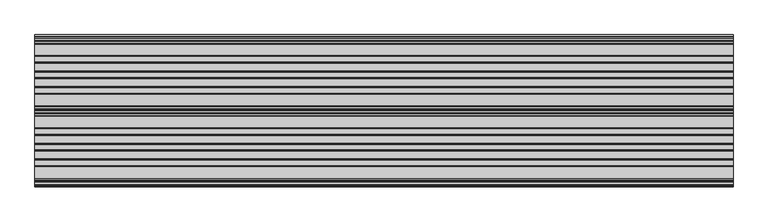
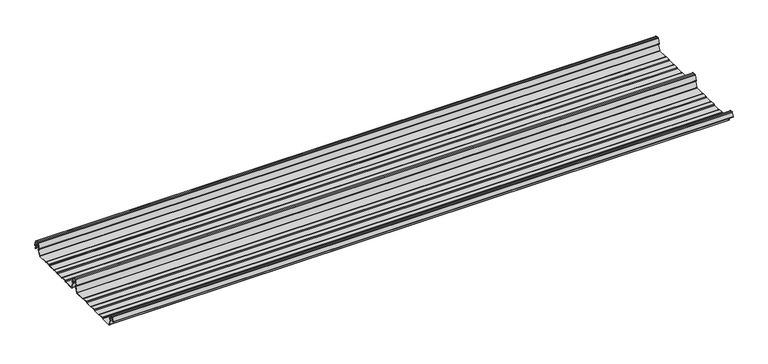
"""IFC4 building model written with IfcOpenShell, lengths in millimetres: beam geometry."""

import ifcopenshell
import ifcopenshell.guid

model = None  # the IFC model being written
_history = None  # IfcOwnerHistory: only IFC2X3 demands one
_inside = {}  # id of a spatial element -> (the spatial element, [elements in it])
_under = {}  # id of a project, library or spatial element -> (it, [spatial elements below it])
_declared = {}  # id of a project -> (the project, [libraries it declares])
_typed = {}  # id of a type object -> (the type object, [elements of that type])
_made_of = {}  # id of a material, layer set ... -> (it, [elements and type objects made of it])


def new_model(schema):
    """Start an empty IFC model of exactly this schema.

    Asked for "IFC4X3", IfcOpenShell would pick the latest addendum, in which some entities
    have other attributes; the version numbers below select the first issue.
    IFC2X3 requires an IfcOwnerHistory on every rooted entity: one is made here for all.
    """
    global model, _history
    if schema == "IFC4X3":
        model = ifcopenshell.file(schema_version=(4, 3, 0, 0))
    else:
        model = ifcopenshell.file(schema=schema)
    _inside.clear()
    _under.clear()
    _declared.clear()
    _typed.clear()
    _made_of.clear()
    _history = None
    if model.schema == "IFC2X3":
        org = make("IfcOrganization", Name="unknown")
        user = make(
            "IfcPersonAndOrganization",
            ThePerson=make("IfcPerson", FamilyName="unknown"),
            TheOrganization=org,
        )
        app = make(
            "IfcApplication",
            ApplicationDeveloper=org,
            Version="unknown",
            ApplicationFullName="unknown",
            ApplicationIdentifier="unknown",
        )
        _history = make(
            "IfcOwnerHistory",
            OwningUser=user,
            OwningApplication=app,
            ChangeAction="ADDED",
            CreationDate=0,
        )
    return model


def make(cls, **values):
    """One entity of the class cls with the attributes given. An attribute that is None is left unset."""
    return model.create_entity(
        cls, **{name: value for name, value in values.items() if value is not None}
    )


def rooted(cls, **values):
    """An entity with a GlobalId (a new one), such as an element, a storey or a relation."""
    return make(cls, GlobalId=ifcopenshell.guid.new(), OwnerHistory=_history, **values)


def si_unit(unit_type, name, prefix=None):
    """IfcSIUnit, for example si_unit("LENGTHUNIT", "METRE", prefix="MILLI")."""
    return make("IfcSIUnit", UnitType=unit_type, Prefix=prefix, Name=name)


def assignment(units):
    """IfcUnitAssignment: the units of a project."""
    return None if units is None else make("IfcUnitAssignment", Units=units)


def point(xyz):
    """IfcCartesianPoint."""
    return None if xyz is None else make("IfcCartesianPoint", Coordinates=xyz)


def direction(xyz):
    """IfcDirection."""
    return None if xyz is None else make("IfcDirection", DirectionRatios=xyz)


def frame(location, z_axis=None, x_axis=None):
    """IfcAxis2Placement3D, a coordinate frame: its origin and axes. An axis left out is left unset."""
    return make(
        "IfcAxis2Placement3D",
        Location=point(location),
        Axis=direction(z_axis),
        RefDirection=direction(x_axis),
    )


def frame_2d(location, x_axis=None):
    """IfcAxis2Placement2D, a coordinate frame in the plane: its origin and x axis."""
    return make(
        "IfcAxis2Placement2D", Location=point(location), RefDirection=direction(x_axis)
    )


def origin():
    """The frame at (0, 0, 0) with its axes left unset."""
    return frame((0.0, 0.0, 0.0))


def place(relative_to, where):
    """IfcLocalPlacement: puts the frame where relative to a parent placement (None: the world)."""
    return make(
        "IfcLocalPlacement", PlacementRelTo=relative_to, RelativePlacement=where
    )


def context(
    kind, dimensions, precision=None, world=None, true_north=None, identifier=None
):
    """IfcGeometricRepresentationContext, for example the 3D "Model" context."""
    return make(
        "IfcGeometricRepresentationContext",
        ContextIdentifier=identifier,
        ContextType=kind,
        CoordinateSpaceDimension=dimensions,
        Precision=precision,
        WorldCoordinateSystem=world,
        TrueNorth=true_north,
    )


def project(units=None, contexts=None):
    """IfcProject with its units and contexts."""
    return rooted(
        "IfcProject",
        Name="project",
        RepresentationContexts=contexts,
        UnitsInContext=assignment(units),
    )


def spatial(cls, under=None, at=None, **own):
    """A site, building, storey or space (cls), placed at a placement, below another one or the project."""
    s = rooted(cls, ObjectPlacement=at, **own)
    if under is not None:
        _under.setdefault(under.id(), (under, []))[1].append(s)
    return s


def polyline(points):
    """IfcPolyline through the points."""
    return make("IfcPolyline", Points=[point(p) for p in points])


def circle_curve(where, radius):
    """IfcCircle in the frame where."""
    return make("IfcCircle", Position=where, Radius=radius)


def trimmed(basis, trim1, trim2, sense, master):
    """IfcTrimmedCurve: the piece of a basis curve between two trims."""
    return make(
        "IfcTrimmedCurve",
        BasisCurve=basis,
        Trim1=trim1,
        Trim2=trim2,
        SenseAgreement=sense,
        MasterRepresentation=master,
    )


def segment(curve, same_sense, transition):
    """IfcCompositeCurveSegment."""
    return make(
        "IfcCompositeCurveSegment",
        Transition=transition,
        SameSense=same_sense,
        ParentCurve=curve,
    )


def composite_curve(segments, self_intersect=None):
    """IfcCompositeCurve: segments joined end to end."""
    return make("IfcCompositeCurve", Segments=segments, SelfIntersect=self_intersect)


def outline(outer, holes=None, kind="AREA"):
    """IfcArbitraryClosedProfileDef: a profile drawn as a closed curve; with holes, ...WithVoids."""
    if holes is None:
        return make("IfcArbitraryClosedProfileDef", ProfileType=kind, OuterCurve=outer)
    return make(
        "IfcArbitraryProfileDefWithVoids",
        ProfileType=kind,
        OuterCurve=outer,
        InnerCurves=holes,
    )


def extrude(swept, where, along, depth):
    """IfcExtrudedAreaSolid: the profile swept, set in the frame where, extruded along a direction by depth."""
    return make(
        "IfcExtrudedAreaSolid",
        SweptArea=swept,
        Position=where,
        ExtrudedDirection=direction(along),
        Depth=depth,
    )


def shape(context_of_items, identifier, shape_type, items):
    """IfcShapeRepresentation: the items that make up one representation, for example the "Body"."""
    return make(
        "IfcShapeRepresentation",
        ContextOfItems=context_of_items,
        RepresentationIdentifier=identifier,
        RepresentationType=shape_type,
        Items=items,
    )


def source(mapping_origin, context_of_items, identifier, shape_type, items):
    """IfcRepresentationMap: a shape defined once, which mapped items show again and again."""
    return make(
        "IfcRepresentationMap",
        MappingOrigin=mapping_origin,
        MappedRepresentation=shape(context_of_items, identifier, shape_type, items),
    )


def transform(
    local_origin,
    x_axis=None,
    y_axis=None,
    z_axis=None,
    scale=None,
    scale2=None,
    scale3=None,
    uniform=True,
):
    """IfcCartesianTransformationOperator3D, or its non-uniform kind. x_axis, y_axis, z_axis: its Axis1, 2, 3."""
    if uniform:
        return make(
            "IfcCartesianTransformationOperator3D",
            Axis1=direction(x_axis),
            Axis2=direction(y_axis),
            LocalOrigin=point(local_origin),
            Scale=scale,
            Axis3=direction(z_axis),
        )
    return make(
        "IfcCartesianTransformationOperator3DnonUniform",
        Axis1=direction(x_axis),
        Axis2=direction(y_axis),
        LocalOrigin=point(local_origin),
        Scale=scale,
        Axis3=direction(z_axis),
        Scale2=scale2,
        Scale3=scale3,
    )


def mapped(mapping_source, mapping_target):
    """IfcMappedItem: shows the shape of a source again, moved by a transform."""
    return make(
        "IfcMappedItem", MappingSource=mapping_source, MappingTarget=mapping_target
    )


def made_of(thing, what):
    """Note that an element or type object is made of a material, layer set ...; save() writes the relation."""
    if what is not None:
        _made_of.setdefault(what.id(), (what, []))[1].append(thing)
    return thing


def element(
    cls,
    number,
    at=None,
    inside=None,
    cuts=None,
    type_object=None,
    material=None,
    context=None,
    identifier="Body",
    shape_type=None,
    held_by="IfcProductDefinitionShape",
    body=None,
    shapes=None,
    **own,
):
    """One element of the class cls, such as IfcWall. Its Tag is "e" and its number.

    at: its placement. inside: the storey or other place that contains it. cuts: it is an
    opening in that element (IfcRelVoidsElement). A single representation is given by context,
    identifier, shape_type and body (its items); several are given by shapes. held_by: the class
    of the entity that holds the representations. save() writes the other relations.
    """
    e = rooted(cls, Tag="e%d" % number, ObjectPlacement=at, **own)
    if body is not None:
        shapes = [shape(context, identifier, shape_type, body)]
    if shapes is not None:
        e.Representation = make(held_by, Representations=shapes)
    if inside is not None:
        _inside.setdefault(inside.id(), (inside, []))[1].append(e)
    if cuts is not None:
        rooted(
            "IfcRelVoidsElement", RelatingBuildingElement=cuts, RelatedOpeningElement=e
        )
    if type_object is not None:
        _typed.setdefault(type_object.id(), (type_object, []))[1].append(e)
    return made_of(e, material)


def aggregate(whole, parts):
    """IfcRelAggregates: a whole, such as a stair, and the parts it consists of."""
    return rooted("IfcRelAggregates", RelatingObject=whole, RelatedObjects=parts)


def save(model, path):
    """Write the relations noted so far, then the file.

    IfcRelAggregates (storeys below a building ...), IfcRelContainedInSpatialStructure (elements
    in a storey), IfcRelDefinesByType, IfcRelAssociatesMaterial and IfcRelDeclares: one each for
    every whole, place, type object, material and project.
    """
    for whole, parts in _under.values():
        aggregate(whole, parts)
    for where, things in _inside.values():
        rooted(
            "IfcRelContainedInSpatialStructure",
            RelatedElements=things,
            RelatingStructure=where,
        )
    for kind, things in _typed.values():
        rooted("IfcRelDefinesByType", RelatedObjects=things, RelatingType=kind)
    for what, things in _made_of.values():
        rooted("IfcRelAssociatesMaterial", RelatedObjects=things, RelatingMaterial=what)
    for by, libraries in _declared.values():
        rooted("IfcRelDeclares", RelatingContext=by, RelatedDefinitions=libraries)
    model.write(path)


def beam_cf19459b(model_context):
    return source(origin(), model_context, "Body", "SweptSolid", [
        extrude(outline(composite_curve([segment(trimmed(circle_curve(frame_2d((-231.1362436, -24.0396475)), 1.75), [point((-231.1362436, -25.7896475))], [point((-232.7807057, -24.6381827))], False, "CARTESIAN"), True, "CONTINUOUS"), segment(polyline([(-232.7807057, -24.6381827), (-241.6888002, -2.1633943)]), True, "CONTINUOUS"), segment(trimmed(circle_curve(frame_2d((-240.0443381, -1.5648591)), 1.75), [point((-241.6888002, -2.1633943))], [point((-240.4972714, 0.1255111))], False, "CARTESIAN"), True, "CONTINUOUS"), segment(polyline([(-240.4972714, 0.1255111), (-237.8419476, 0.837003)]), True, "CONTINUOUS"), segment(trimmed(circle_curve(frame_2d((-238.1654714, 2.0444103)), 1.25), [point((-237.8419476, 0.837003))], [point((-236.9908556, 2.4719355))], True, "CARTESIAN"), True, "CONTINUOUS"), segment(polyline([(-236.9908556, 2.4719355), (-243.8110817, 21.2103525), (-250.0, 21.2103525), (-256.1889183, 21.2103525), (-263.0091444, 2.4719355)]), True, "CONTINUOUS"), segment(trimmed(circle_curve(frame_2d((-261.8345286, 2.0444103)), 1.25), [point((-263.0091444, 2.4719355))], [point((-262.1580524, 0.837003))], True, "CARTESIAN"), True, "CONTINUOUS"), segment(polyline([(-262.1580524, 0.837003), (-259.5027286, 0.1255111)]), True, "CONTINUOUS"), segment(trimmed(circle_curve(frame_2d((-259.9556619, -1.5648591)), 1.75), [point((-259.5027286, 0.1255111))], [point((-258.3111998, -2.1633943))], False, "CARTESIAN"), True, "CONTINUOUS"), segment(polyline([(-258.3111998, -2.1633943), (-267.2192943, -24.6381827)]), True, "CONTINUOUS"), segment(trimmed(circle_curve(frame_2d((-268.8637564, -24.0396475)), 1.75), [point((-267.2192943, -24.6381827))], [point((-268.8637564, -25.7896475))], False, "CARTESIAN"), True, "CONTINUOUS"), segment(polyline([(-268.8637564, -25.7896475), (-307.3786797, -25.7896475)]), True, "CONTINUOUS"), segment(trimmed(circle_curve(frame_2d((-307.3786797, -24.0396475)), 1.75), [point((-307.3786797, -25.7896475))], [point((-308.6161165, -25.2770843))], False, "CARTESIAN"), True, "CONTINUOUS"), segment(polyline([(-308.6161165, -25.2770843), (-310.7788845, -23.1143163)]), True, "CONTINUOUS"), segment(trimmed(circle_curve(frame_2d((-311.5627045, -23.8981363)), 1.1084889), [point((-310.7788845, -23.1143163))], [point((-311.5627045, -22.7896475))], True, "CARTESIAN"), True, "CONTINUOUS"), segment(polyline([(-311.5627045, -22.7896475), (-330.4372955, -22.7896475)]), True, "CONTINUOUS"), segment(trimmed(circle_curve(frame_2d((-330.4372955, -23.8981363)), 1.1084889), [point((-330.4372955, -22.7896475))], [point((-331.2211155, -23.1143163))], True, "CARTESIAN"), True, "CONTINUOUS"), segment(polyline([(-331.2211155, -23.1143163), (-333.3838835, -25.2770843)]), True, "CONTINUOUS"), segment(trimmed(circle_curve(frame_2d((-334.6213203, -24.0396475)), 1.75), [point((-333.3838835, -25.2770843))], [point((-334.6213203, -25.7896475))], False, "CARTESIAN"), True, "CONTINUOUS"), segment(polyline([(-334.6213203, -25.7896475), (-361.3786797, -25.7896475)]), True, "CONTINUOUS"), segment(trimmed(circle_curve(frame_2d((-361.3786797, -24.0396475)), 1.75), [point((-361.3786797, -25.7896475))], [point((-362.6161165, -25.2770843))], False, "CARTESIAN"), True, "CONTINUOUS"), segment(polyline([(-362.6161165, -25.2770843), (-364.7788845, -23.1143163)]), True, "CONTINUOUS"), segment(trimmed(circle_curve(frame_2d((-365.5627045, -23.8981363)), 1.1084889), [point((-364.7788845, -23.1143163))], [point((-365.5627045, -22.7896475))], True, "CARTESIAN"), True, "CONTINUOUS"), segment(polyline([(-365.5627045, -22.7896475), (-384.4372955, -22.7896475)]), True, "CONTINUOUS"), segment(trimmed(circle_curve(frame_2d((-384.4372955, -23.8981363)), 1.1084889), [point((-384.4372955, -22.7896475))], [point((-385.2211155, -23.1143163))], True, "CARTESIAN"), True, "CONTINUOUS"), segment(polyline([(-385.2211155, -23.1143163), (-387.3838835, -25.2770843)]), True, "CONTINUOUS"), segment(trimmed(circle_curve(frame_2d((-388.6213203, -24.0396475)), 1.75), [point((-387.3838835, -25.2770843))], [point((-388.6213203, -25.7896475))], False, "CARTESIAN"), True, "CONTINUOUS"), segment(polyline([(-388.6213203, -25.7896475), (-415.3786797, -25.7896475)]), True, "CONTINUOUS"), segment(trimmed(circle_curve(frame_2d((-415.3786797, -24.0396475)), 1.75), [point((-415.3786797, -25.7896475))], [point((-416.6161165, -25.2770843))], False, "CARTESIAN"), True, "CONTINUOUS"), segment(polyline([(-416.6161165, -25.2770843), (-418.7788845, -23.1143163)]), True, "CONTINUOUS"), segment(trimmed(circle_curve(frame_2d((-419.5627045, -23.8981363)), 1.1084889), [point((-418.7788845, -23.1143163))], [point((-419.5627045, -22.7896475))], True, "CARTESIAN"), True, "CONTINUOUS"), segment(polyline([(-419.5627045, -22.7896475), (-438.4372955, -22.7896475)]), True, "CONTINUOUS"), segment(trimmed(circle_curve(frame_2d((-438.4372955, -23.8981363)), 1.1084889), [point((-438.4372955, -22.7896475))], [point((-439.2211155, -23.1143163))], True, "CARTESIAN"), True, "CONTINUOUS"), segment(polyline([(-439.2211155, -23.1143163), (-441.3838835, -25.2770843)]), True, "CONTINUOUS"), segment(trimmed(circle_curve(frame_2d((-442.6213203, -24.0396475)), 1.75), [point((-441.3838835, -25.2770843))], [point((-442.6213203, -25.7896475))], False, "CARTESIAN"), True, "CONTINUOUS"), segment(polyline([(-442.6213203, -25.7896475), (-483.287616, -25.7896475)]), True, "CONTINUOUS"), segment(trimmed(circle_curve(frame_2d((-483.287616, -24.0396475)), 1.75), [point((-483.287616, -25.7896475))], [point((-484.8955882, -24.7302452))], False, "CARTESIAN"), True, "CONTINUOUS"), segment(polyline([(-484.8955882, -24.7302452), (-493.5565428, -2.8789816)]), True, "CONTINUOUS"), segment(trimmed(circle_curve(frame_2d((-490.0443381, -1.5648591)), 3.75), [point((-493.5565428, -2.8789816))], [point((-490.3464639, 2.1729504))], False, "CARTESIAN"), True, "CONTINUOUS"), segment(trimmed(circle_curve(frame_2d((-490.426413, 3.162057)), 0.9923325), [point((-490.3464639, 2.1729504))], [point((-489.4939255, 3.5014547))], True, "CARTESIAN"), True, "CONTINUOUS"), segment(polyline([(-489.4939255, 3.5014547), (-494.9720116, 18.5523727)]), True, "CONTINUOUS"), segment(trimmed(circle_curve(frame_2d((-495.9117043, 18.2103525)), 1.0), [point((-494.9720116, 18.5523727))], [point((-495.9117043, 19.2103525))], True, "CARTESIAN"), True, "CONTINUOUS"), segment(polyline([(-495.9117043, 19.2103525), (-504.0882957, 19.2103525)]), True, "CONTINUOUS"), segment(trimmed(circle_curve(frame_2d((-504.0882957, 18.2103525)), 1.0), [point((-504.0882957, 19.2103525))], [point((-505.0279884, 18.5523727))], True, "CARTESIAN"), True, "CONTINUOUS"), segment(polyline([(-505.0279884, 18.5523727), (-510.4799156, 3.5733257)]), True, "CONTINUOUS"), segment(trimmed(circle_curve(frame_2d((-510.9497619, 3.7443357)), 0.5), [point((-510.4799156, 3.5733257))], [point((-511.4196082, 3.9153458))], False, "CARTESIAN"), True, "CONTINUOUS"), segment(polyline([(-511.4196082, 3.9153458), (-505.967681, 18.8943928)]), True, "CONTINUOUS"), segment(trimmed(circle_curve(frame_2d((-504.0882957, 18.2103525)), 2.0), [point((-505.967681, 18.8943928))], [point((-504.0882957, 20.2103525))], False, "CARTESIAN"), True, "CONTINUOUS"), segment(polyline([(-504.0882957, 20.2103525), (-495.9117043, 20.2103525)]), True, "CONTINUOUS"), segment(trimmed(circle_curve(frame_2d((-495.9117043, 18.2103525)), 2.0), [point((-495.9117043, 20.2103525))], [point((-494.032319, 18.8943928))], False, "CARTESIAN"), True, "CONTINUOUS"), segment(polyline([(-494.032319, 18.8943928), (-488.5542329, 3.8434749)]), True, "CONTINUOUS"), segment(trimmed(circle_curve(frame_2d((-490.426413, 3.162057)), 1.9923325), [point((-488.5542329, 3.8434749))], [point((-490.265897, 1.1762012))], False, "CARTESIAN"), True, "CONTINUOUS"), segment(trimmed(circle_curve(frame_2d((-490.0443381, -1.5648591)), 2.75), [point((-490.265897, 1.1762012))], [point((-492.6230664, -2.5201915))], True, "CARTESIAN"), True, "CONTINUOUS"), segment(polyline([(-492.6230664, -2.5201915), (-483.9722515, -24.3458733)]), True, "CONTINUOUS"), segment(trimmed(circle_curve(frame_2d((-483.287616, -24.0396475)), 0.75), [point((-483.9722515, -24.3458733))], [point((-483.287616, -24.7896475))], True, "CARTESIAN"), True, "CONTINUOUS"), segment(polyline([(-483.287616, -24.7896475), (-442.7420401, -24.7896475)]), True, "CONTINUOUS"), segment(trimmed(circle_curve(frame_2d((-442.7420401, -23.7482041)), 1.0414433), [point((-442.7420401, -24.7896475))], [point((-442.0056285, -24.4846158))], True, "CARTESIAN"), True, "CONTINUOUS"), segment(polyline([(-442.0056285, -24.4846158), (-439.9696699, -22.4486572)]), True, "CONTINUOUS"), segment(trimmed(circle_curve(frame_2d((-438.3786797, -24.0396475)), 2.25), [point((-439.9696699, -22.4486572))], [point((-438.3786797, -21.7896475))], False, "CARTESIAN"), True, "CONTINUOUS"), segment(polyline([(-438.3786797, -21.7896475), (-419.6213203, -21.7896475)]), True, "CONTINUOUS"), segment(trimmed(circle_curve(frame_2d((-419.6213203, -24.0396475)), 2.25), [point((-419.6213203, -21.7896475))], [point((-418.0303301, -22.4486572))], False, "CARTESIAN"), True, "CONTINUOUS"), segment(polyline([(-418.0303301, -22.4486572), (-415.9943715, -24.4846158)]), True, "CONTINUOUS"), segment(trimmed(circle_curve(frame_2d((-415.2579599, -23.7482041)), 1.0414433), [point((-415.9943715, -24.4846158))], [point((-415.2579599, -24.7896475))], True, "CARTESIAN"), True, "CONTINUOUS"), segment(polyline([(-415.2579599, -24.7896475), (-388.7420401, -24.7896475)]), True, "CONTINUOUS"), segment(trimmed(circle_curve(frame_2d((-388.7420401, -23.7482041)), 1.0414433), [point((-388.7420401, -24.7896475))], [point((-388.0056285, -24.4846158))], True, "CARTESIAN"), True, "CONTINUOUS"), segment(polyline([(-388.0056285, -24.4846158), (-385.9696699, -22.4486572)]), True, "CONTINUOUS"), segment(trimmed(circle_curve(frame_2d((-384.3786797, -24.0396475)), 2.25), [point((-385.9696699, -22.4486572))], [point((-384.3786797, -21.7896475))], False, "CARTESIAN"), True, "CONTINUOUS"), segment(polyline([(-384.3786797, -21.7896475), (-365.6213203, -21.7896475)]), True, "CONTINUOUS"), segment(trimmed(circle_curve(frame_2d((-365.6213203, -24.0396475)), 2.25), [point((-365.6213203, -21.7896475))], [point((-364.0303301, -22.4486572))], False, "CARTESIAN"), True, "CONTINUOUS"), segment(polyline([(-364.0303301, -22.4486572), (-361.9943715, -24.4846158)]), True, "CONTINUOUS"), segment(trimmed(circle_curve(frame_2d((-361.2579599, -23.7482041)), 1.0414433), [point((-361.9943715, -24.4846158))], [point((-361.2579599, -24.7896475))], True, "CARTESIAN"), True, "CONTINUOUS"), segment(polyline([(-361.2579599, -24.7896475), (-334.7420401, -24.7896475)]), True, "CONTINUOUS"), segment(trimmed(circle_curve(frame_2d((-334.7420401, -23.7482041)), 1.0414433), [point((-334.7420401, -24.7896475))], [point((-334.0056285, -24.4846158))], True, "CARTESIAN"), True, "CONTINUOUS"), segment(polyline([(-334.0056285, -24.4846158), (-331.9696699, -22.4486572)]), True, "CONTINUOUS"), segment(trimmed(circle_curve(frame_2d((-330.3786797, -24.0396475)), 2.25), [point((-331.9696699, -22.4486572))], [point((-330.3786797, -21.7896475))], False, "CARTESIAN"), True, "CONTINUOUS"), segment(polyline([(-330.3786797, -21.7896475), (-311.6213203, -21.7896475)]), True, "CONTINUOUS"), segment(trimmed(circle_curve(frame_2d((-311.6213203, -24.0396475)), 2.25), [point((-311.6213203, -21.7896475))], [point((-310.0303301, -22.4486572))], False, "CARTESIAN"), True, "CONTINUOUS"), segment(polyline([(-310.0303301, -22.4486572), (-307.9943715, -24.4846158)]), True, "CONTINUOUS"), segment(trimmed(circle_curve(frame_2d((-307.2579599, -23.7482041)), 1.0414433), [point((-307.9943715, -24.4846158))], [point((-307.2579599, -24.7896475))], True, "CARTESIAN"), True, "CONTINUOUS"), segment(polyline([(-307.2579599, -24.7896475), (-268.8637564, -24.7896475)]), True, "CONTINUOUS"), segment(trimmed(circle_curve(frame_2d((-268.8637564, -24.0396475)), 0.75), [point((-268.8637564, -24.7896475))], [point((-268.1552359, -24.2856122))], True, "CARTESIAN"), True, "CONTINUOUS"), segment(polyline([(-268.1552359, -24.2856122), (-259.2471414, -1.8108238)]), True, "CONTINUOUS"), segment(trimmed(circle_curve(frame_2d((-259.9556619, -1.5648591)), 0.75), [point((-259.2471414, -1.8108238))], [point((-259.7615476, -0.8404147))], True, "CARTESIAN"), True, "CONTINUOUS"), segment(polyline([(-259.7615476, -0.8404147), (-262.4168715, -0.1289228)]), True, "CONTINUOUS"), segment(trimmed(circle_curve(frame_2d((-261.8345286, 2.0444103)), 2.25), [point((-262.4168715, -0.1289228))], [point((-263.948837, 2.8139556))], False, "CARTESIAN"), True, "CONTINUOUS"), segment(polyline([(-263.948837, 2.8139556), (-257.1273286, 21.5558959)]), True, "CONTINUOUS"), segment(trimmed(circle_curve(frame_2d((-256.1926676, 21.2157071)), 0.9946455), [point((-257.1273286, 21.5558959))], [point((-256.1926676, 22.2103525))], False, "CARTESIAN"), True, "CONTINUOUS"), segment(polyline([(-256.1926676, 22.2103525), (-250.0, 22.2103525), (-243.8073324, 22.2103525)]), True, "CONTINUOUS"), segment(trimmed(circle_curve(frame_2d((-243.8073324, 21.2157071)), 0.9946455), [point((-243.8073324, 22.2103525))], [point((-242.8726714, 21.5558959))], False, "CARTESIAN"), True, "CONTINUOUS"), segment(polyline([(-242.8726714, 21.5558959), (-236.051163, 2.8139556)]), True, "CONTINUOUS"), segment(trimmed(circle_curve(frame_2d((-238.1654714, 2.0444103)), 2.25), [point((-236.051163, 2.8139556))], [point((-237.5831285, -0.1289228))], False, "CARTESIAN"), True, "CONTINUOUS"), segment(polyline([(-237.5831285, -0.1289228), (-240.2384524, -0.8404147)]), True, "CONTINUOUS"), segment(trimmed(circle_curve(frame_2d((-240.0443381, -1.5648591)), 0.75), [point((-240.2384524, -0.8404147))], [point((-240.7528586, -1.8108238))], True, "CARTESIAN"), True, "CONTINUOUS"), segment(polyline([(-240.7528586, -1.8108238), (-231.8447641, -24.2856122)]), True, "CONTINUOUS"), segment(trimmed(circle_curve(frame_2d((-231.1362436, -24.0396475)), 0.75), [point((-231.8447641, -24.2856122))], [point((-231.1362436, -24.7896475))], True, "CARTESIAN"), True, "CONTINUOUS"), segment(polyline([(-231.1362436, -24.7896475), (-192.7420401, -24.7896475)]), True, "CONTINUOUS"), segment(trimmed(circle_curve(frame_2d((-192.7420401, -23.7482041)), 1.0414433), [point((-192.7420401, -24.7896475))], [point((-192.0056285, -24.4846158))], True, "CARTESIAN"), True, "CONTINUOUS"), segment(polyline([(-192.0056285, -24.4846158), (-189.9696699, -22.4486572)]), True, "CONTINUOUS"), segment(trimmed(circle_curve(frame_2d((-188.3786797, -24.0396475)), 2.25), [point((-189.9696699, -22.4486572))], [point((-188.3786797, -21.7896475))], False, "CARTESIAN"), True, "CONTINUOUS"), segment(polyline([(-188.3786797, -21.7896475), (-169.6213203, -21.7896475)]), True, "CONTINUOUS"), segment(trimmed(circle_curve(frame_2d((-169.6213203, -24.0396475)), 2.25), [point((-169.6213203, -21.7896475))], [point((-168.0303301, -22.4486572))], False, "CARTESIAN"), True, "CONTINUOUS"), segment(polyline([(-168.0303301, -22.4486572), (-165.9943715, -24.4846158)]), True, "CONTINUOUS"), segment(trimmed(circle_curve(frame_2d((-165.2579599, -23.7482041)), 1.0414433), [point((-165.9943715, -24.4846158))], [point((-165.2579599, -24.7896475))], True, "CARTESIAN"), True, "CONTINUOUS"), segment(polyline([(-165.2579599, -24.7896475), (-138.7420401, -24.7896475)]), True, "CONTINUOUS"), segment(trimmed(circle_curve(frame_2d((-138.7420401, -23.7482041)), 1.0414433), [point((-138.7420401, -24.7896475))], [point((-138.0056285, -24.4846158))], True, "CARTESIAN"), True, "CONTINUOUS"), segment(polyline([(-138.0056285, -24.4846158), (-135.9696699, -22.4486572)]), True, "CONTINUOUS"), segment(trimmed(circle_curve(frame_2d((-134.3786797, -24.0396475)), 2.25), [point((-135.9696699, -22.4486572))], [point((-134.3786797, -21.7896475))], False, "CARTESIAN"), True, "CONTINUOUS"), segment(polyline([(-134.3786797, -21.7896475), (-115.6213203, -21.7896475)]), True, "CONTINUOUS"), segment(trimmed(circle_curve(frame_2d((-115.6213203, -24.0396475)), 2.25), [point((-115.6213203, -21.7896475))], [point((-114.0303301, -22.4486572))], False, "CARTESIAN"), True, "CONTINUOUS"), segment(polyline([(-114.0303301, -22.4486572), (-111.9943715, -24.4846158)]), True, "CONTINUOUS"), segment(trimmed(circle_curve(frame_2d((-111.2579599, -23.7482041)), 1.0414433), [point((-111.9943715, -24.4846158))], [point((-111.2579599, -24.7896475))], True, "CARTESIAN"), True, "CONTINUOUS"), segment(polyline([(-111.2579599, -24.7896475), (-84.7420401, -24.7896475)]), True, "CONTINUOUS"), segment(trimmed(circle_curve(frame_2d((-84.7420401, -23.7482041)), 1.0414433), [point((-84.7420401, -24.7896475))], [point((-84.0056285, -24.4846158))], True, "CARTESIAN"), True, "CONTINUOUS"), segment(polyline([(-84.0056285, -24.4846158), (-81.9696699, -22.4486572)]), True, "CONTINUOUS"), segment(trimmed(circle_curve(frame_2d((-80.3786797, -24.0396475)), 2.25), [point((-81.9696699, -22.4486572))], [point((-80.3786797, -21.7896475))], False, "CARTESIAN"), True, "CONTINUOUS"), segment(polyline([(-80.3786797, -21.7896475), (-61.6213203, -21.7896475)]), True, "CONTINUOUS"), segment(trimmed(circle_curve(frame_2d((-61.6213203, -24.0396475)), 2.25), [point((-61.6213203, -21.7896475))], [point((-60.0303301, -22.4486572))], False, "CARTESIAN"), True, "CONTINUOUS"), segment(polyline([(-60.0303301, -22.4486572), (-57.9943715, -24.4846158)]), True, "CONTINUOUS"), segment(trimmed(circle_curve(frame_2d((-57.2579599, -23.7482041)), 1.0414433), [point((-57.9943715, -24.4846158))], [point((-57.2579599, -24.7896475))], True, "CARTESIAN"), True, "CONTINUOUS"), segment(polyline([(-57.2579599, -24.7896475), (-18.8637564, -24.7896475)]), True, "CONTINUOUS"), segment(trimmed(circle_curve(frame_2d((-18.8637564, -24.0396475)), 0.75), [point((-18.8637564, -24.7896475))], [point((-18.1552359, -24.2856122))], True, "CARTESIAN"), True, "CONTINUOUS"), segment(polyline([(-18.1552359, -24.2856122), (-9.2471414, -1.8108238)]), True, "CONTINUOUS"), segment(trimmed(circle_curve(frame_2d((-9.9556619, -1.5648591)), 0.75), [point((-9.2471414, -1.8108238))], [point((-9.7615476, -0.8404147))], True, "CARTESIAN"), True, "CONTINUOUS"), segment(polyline([(-9.7615476, -0.8404147), (-12.4168715, -0.1289228)]), True, "CONTINUOUS"), segment(trimmed(circle_curve(frame_2d((-11.8345286, 2.0444103)), 2.25), [point((-12.4168715, -0.1289228))], [point((-13.948837, 2.8139556))], False, "CARTESIAN"), True, "CONTINUOUS"), segment(polyline([(-13.948837, 2.8139556), (-7.1273286, 21.5558959)]), True, "CONTINUOUS"), segment(trimmed(circle_curve(frame_2d((-6.1926676, 21.2157071)), 0.9946455), [point((-7.1273286, 21.5558959))], [point((-6.1926676, 22.2103525))], False, "CARTESIAN"), True, "CONTINUOUS"), segment(polyline([(-6.1926676, 22.2103525), (0.0, 22.2103525), (6.1926676, 22.2103525)]), True, "CONTINUOUS"), segment(trimmed(circle_curve(frame_2d((6.1926676, 21.2157071)), 0.9946455), [point((6.1926676, 22.2103525))], [point((7.1273286, 21.5558959))], False, "CARTESIAN"), True, "CONTINUOUS"), segment(polyline([(7.1273286, 21.5558959), (13.948837, 2.8139556)]), True, "CONTINUOUS"), segment(trimmed(circle_curve(frame_2d((11.8345286, 2.0444103)), 2.25), [point((13.948837, 2.8139556))], [point((12.4168715, -0.1289228))], False, "CARTESIAN"), True, "CONTINUOUS"), segment(polyline([(12.4168715, -0.1289228), (9.7615476, -0.8404147)]), True, "CONTINUOUS"), segment(trimmed(circle_curve(frame_2d((9.9556619, -1.5648591)), 0.75), [point((9.7615476, -0.8404147))], [point((9.2471414, -1.8108238))], True, "CARTESIAN"), True, "CONTINUOUS"), segment(polyline([(9.2471414, -1.8108238), (12.5127954, -10.0499465)]), True, "CONTINUOUS"), segment(trimmed(circle_curve(frame_2d((12.0479758, -10.2341821)), 0.5), [point((12.5127954, -10.0499465))], [point((11.5831563, -10.4184177))], False, "CARTESIAN"), True, "CONTINUOUS"), segment(polyline([(11.5831563, -10.4184177), (8.3111998, -2.1633943)]), True, "CONTINUOUS"), segment(trimmed(circle_curve(frame_2d((9.9556619, -1.5648591)), 1.75), [point((8.3111998, -2.1633943))], [point((9.5027286, 0.1255111))], False, "CARTESIAN"), True, "CONTINUOUS"), segment(polyline([(9.5027286, 0.1255111), (12.1580524, 0.837003)]), True, "CONTINUOUS"), segment(trimmed(circle_curve(frame_2d((11.8345286, 2.0444103)), 1.25), [point((12.1580524, 0.837003))], [point((13.0091444, 2.4719355))], True, "CARTESIAN"), True, "CONTINUOUS"), segment(polyline([(13.0091444, 2.4719355), (6.1889183, 21.2103525), (0.0, 21.2103525), (-6.1889183, 21.2103525), (-13.0091444, 2.4719355)]), True, "CONTINUOUS"), segment(trimmed(circle_curve(frame_2d((-11.8345286, 2.0444103)), 1.25), [point((-13.0091444, 2.4719355))], [point((-12.1580524, 0.837003))], True, "CARTESIAN"), True, "CONTINUOUS"), segment(polyline([(-12.1580524, 0.837003), (-9.5027286, 0.1255111)]), True, "CONTINUOUS"), segment(trimmed(circle_curve(frame_2d((-9.9556619, -1.5648591)), 1.75), [point((-9.5027286, 0.1255111))], [point((-8.3111998, -2.1633943))], False, "CARTESIAN"), True, "CONTINUOUS"), segment(polyline([(-8.3111998, -2.1633943), (-17.2192943, -24.6381827)]), True, "CONTINUOUS"), segment(trimmed(circle_curve(frame_2d((-18.8637564, -24.0396475)), 1.75), [point((-17.2192943, -24.6381827))], [point((-18.8637564, -25.7896475))], False, "CARTESIAN"), True, "CONTINUOUS"), segment(polyline([(-18.8637564, -25.7896475), (-57.3786797, -25.7896475)]), True, "CONTINUOUS"), segment(trimmed(circle_curve(frame_2d((-57.3786797, -24.0396475)), 1.75), [point((-57.3786797, -25.7896475))], [point((-58.6161165, -25.2770843))], False, "CARTESIAN"), True, "CONTINUOUS"), segment(polyline([(-58.6161165, -25.2770843), (-60.7788845, -23.1143163)]), True, "CONTINUOUS"), segment(trimmed(circle_curve(frame_2d((-61.5627045, -23.8981363)), 1.1084889), [point((-60.7788845, -23.1143163))], [point((-61.5627045, -22.7896475))], True, "CARTESIAN"), True, "CONTINUOUS"), segment(polyline([(-61.5627045, -22.7896475), (-80.4372955, -22.7896475)]), True, "CONTINUOUS"), segment(trimmed(circle_curve(frame_2d((-80.4372955, -23.8981363)), 1.1084889), [point((-80.4372955, -22.7896475))], [point((-81.2211155, -23.1143163))], True, "CARTESIAN"), True, "CONTINUOUS"), segment(polyline([(-81.2211155, -23.1143163), (-83.3838835, -25.2770843)]), True, "CONTINUOUS"), segment(trimmed(circle_curve(frame_2d((-84.6213203, -24.0396475)), 1.75), [point((-83.3838835, -25.2770843))], [point((-84.6213203, -25.7896475))], False, "CARTESIAN"), True, "CONTINUOUS"), segment(polyline([(-84.6213203, -25.7896475), (-111.3786797, -25.7896475)]), True, "CONTINUOUS"), segment(trimmed(circle_curve(frame_2d((-111.3786797, -24.0396475)), 1.75), [point((-111.3786797, -25.7896475))], [point((-112.6161165, -25.2770843))], False, "CARTESIAN"), True, "CONTINUOUS"), segment(polyline([(-112.6161165, -25.2770843), (-114.7788845, -23.1143163)]), True, "CONTINUOUS"), segment(trimmed(circle_curve(frame_2d((-115.5627045, -23.8981363)), 1.1084889), [point((-114.7788845, -23.1143163))], [point((-115.5627045, -22.7896475))], True, "CARTESIAN"), True, "CONTINUOUS"), segment(polyline([(-115.5627045, -22.7896475), (-134.4372955, -22.7896475)]), True, "CONTINUOUS"), segment(trimmed(circle_curve(frame_2d((-134.4372955, -23.8981363)), 1.1084889), [point((-134.4372955, -22.7896475))], [point((-135.2211155, -23.1143163))], True, "CARTESIAN"), True, "CONTINUOUS"), segment(polyline([(-135.2211155, -23.1143163), (-137.3838835, -25.2770843)]), True, "CONTINUOUS"), segment(trimmed(circle_curve(frame_2d((-138.6213203, -24.0396475)), 1.75), [point((-137.3838835, -25.2770843))], [point((-138.6213203, -25.7896475))], False, "CARTESIAN"), True, "CONTINUOUS"), segment(polyline([(-138.6213203, -25.7896475), (-165.3786797, -25.7896475)]), True, "CONTINUOUS"), segment(trimmed(circle_curve(frame_2d((-165.3786797, -24.0396475)), 1.75), [point((-165.3786797, -25.7896475))], [point((-166.6161165, -25.2770843))], False, "CARTESIAN"), True, "CONTINUOUS"), segment(polyline([(-166.6161165, -25.2770843), (-168.7788845, -23.1143163)]), True, "CONTINUOUS"), segment(trimmed(circle_curve(frame_2d((-169.5627045, -23.8981363)), 1.1084889), [point((-168.7788845, -23.1143163))], [point((-169.5627045, -22.7896475))], True, "CARTESIAN"), True, "CONTINUOUS"), segment(polyline([(-169.5627045, -22.7896475), (-188.4372955, -22.7896475)]), True, "CONTINUOUS"), segment(trimmed(circle_curve(frame_2d((-188.4372955, -23.8981363)), 1.1084889), [point((-188.4372955, -22.7896475))], [point((-189.2211155, -23.1143163))], True, "CARTESIAN"), True, "CONTINUOUS"), segment(polyline([(-189.2211155, -23.1143163), (-191.3838835, -25.2770843)]), True, "CONTINUOUS"), segment(trimmed(circle_curve(frame_2d((-192.6213203, -24.0396475)), 1.75), [point((-191.3838835, -25.2770843))], [point((-192.6213203, -25.7896475))], False, "CARTESIAN"), True, "CONTINUOUS"), segment(polyline([(-192.6213203, -25.7896475), (-231.1362436, -25.7896475)]), True, "CONTINUOUS")], self_intersect=False)), frame((-1203.995529, 0.0, 0.0), z_axis=(1.0, 0.0, 0.0), x_axis=(0.0, 1.0, 0.0)), (0.0, 0.0, 1.0), 2407.991058),
    ])


if __name__ == "__main__":
    model = new_model("IFC4")
    model_context = context("Model", 3, world=origin())
    ifc_project = project(units=[si_unit("LENGTHUNIT", "METRE", prefix="MILLI")], contexts=[model_context])
    site = spatial("IfcSite", under=ifc_project)
    building = spatial("IfcBuilding", under=site)
    placement = place(None, origin())
    beam_shape = beam_cf19459b(model_context)
    element("IfcBeam", 1, at=placement, inside=building, context=model_context, shape_type="MappedRepresentation", body=[
        mapped(beam_shape, transform((0.0, 0.0, 0.0), x_axis=(1.0, 0.0, 0.0), y_axis=(0.0, 1.0, 0.0), z_axis=(0.0, 0.0, 1.0))),
    ])
    save(model, "model.ifc")
